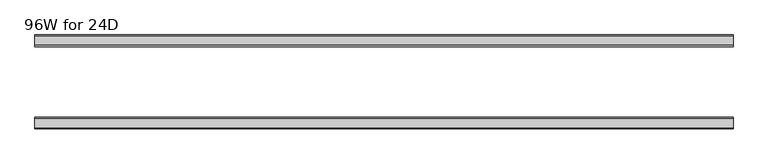
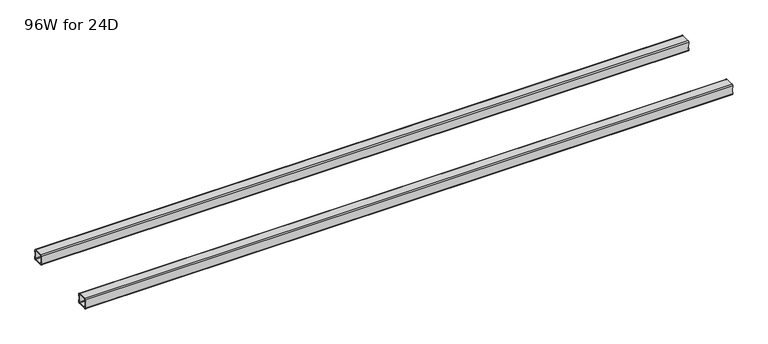
"""IFC4 building model written with IfcOpenShell, lengths in millimetres: furniture geometry, 96W for 24D."""

from ifc_helpers import new_model, si_unit, frame, origin, place, context, project, spatial, polyline, circle_curve, source, transform, mapped, element, save
from ifc_brep_helpers import plane_surface, cylinder_surface, revolved_surface, advanced_brep


def furniture_96w_for_24d_2d58d8bd(model_context):
    return source(origin(), model_context, "Body", "AdvancedBrep", [
        advanced_brep(
        [(2413.4028, -438.5082, 303.466), (2413.4028, -440.5082, 301.466), (2413.4028, -472.5082, 301.466), (2413.4028, -474.5082, 303.466), (2413.4028, -474.5082, 310.966), (2413.4028, -476.5082, 310.966), (2413.4028, -476.5082, 303.466), (2413.4028, -472.5082, 299.466), (2413.4028, -440.5082, 299.466), (2413.4028, -436.5082, 303.466), (2413.4028, -436.5082, 310.966), (2413.4028, -438.5082, 310.966), (2413.4028, -474.5082, 335.09), (2413.4028, -472.5082, 337.09), (2413.4028, -440.5082, 337.09), (2413.4028, -438.5082, 335.09), (2413.4028, -438.5082, 327.59), (2413.4028, -436.5082, 327.59), (2413.4028, -436.5082, 335.09), (2413.4028, -440.5082, 339.09), (2413.4028, -472.5082, 339.09), (2413.4028, -476.5082, 335.09), (2413.4028, -476.5082, 327.59), (2413.4028, -474.5082, 327.59), (22.0, -438.5082, 335.09), (22.0, -440.5082, 337.09), (22.0, -472.5082, 337.09), (22.0, -474.5082, 335.09), (22.0, -474.5082, 327.59), (22.0, -476.5082, 327.59), (22.0, -476.5082, 335.09), (22.0, -472.5082, 339.09), (22.0, -440.5082, 339.09), (22.0, -436.5082, 335.09), (22.0, -436.5082, 327.59), (22.0, -438.5082, 327.59), (22.0, -474.5082, 303.466), (22.0, -472.5082, 301.466), (22.0, -440.5082, 301.466), (22.0, -438.5082, 303.466), (22.0, -438.5082, 310.966), (22.0, -436.5082, 310.966), (22.0, -436.5082, 303.466), (22.0, -440.5082, 299.466), (22.0, -472.5082, 299.466), (22.0, -476.5082, 303.466), (22.0, -476.5082, 310.966), (22.0, -474.5082, 310.966), (23.365, -474.5082, 310.966), (24.0, -474.5082, 311.601), (24.0, -474.5082, 326.955), (23.365, -474.5082, 327.59), (2412.0378, -474.5082, 327.59), (2411.4028, -474.5082, 326.955), (2411.4028, -474.5082, 311.601), (2412.0378, -474.5082, 310.966), (2412.0378, -438.5082, 310.966), (2411.4028, -438.5082, 311.601), (2411.4028, -438.5082, 326.955), (2412.0378, -438.5082, 327.59), (23.365, -438.5082, 327.59), (24.0, -438.5082, 326.955), (24.0, -438.5082, 311.601), (23.365, -438.5082, 310.966), (23.365, -476.5082, 327.59), (24.0, -476.5082, 326.955), (24.0, -476.5082, 311.601), (23.365, -476.5082, 310.966), (2412.0378, -476.5082, 310.966), (2411.4028, -476.5082, 311.601), (2411.4028, -476.5082, 326.955), (2412.0378, -476.5082, 327.59), (2412.0378, -436.5082, 327.59), (2411.4028, -436.5082, 326.955), (2411.4028, -436.5082, 311.601), (2412.0378, -436.5082, 310.966), (23.365, -436.5082, 310.966), (24.0, -436.5082, 311.601), (24.0, -436.5082, 326.955), (23.365, -436.5082, 327.59)],
        [
            (0, 1, circle_curve(frame((2413.4028, -440.5082, 303.466), z_axis=(-1.0, 0.0, 0.0), x_axis=(0.0, 1.0, 0.0)), 2.0)),
            (1, 2),
            (2, 3, circle_curve(frame((2413.4028, -472.5082, 303.466), z_axis=(-1.0, 0.0, 0.0), x_axis=(0.0, 1.0, 0.0)), 2.0)),
            (3, 4),
            (4, 5),
            (5, 6),
            (6, 7, circle_curve(frame((2413.4028, -472.5082, 303.466), z_axis=(1.0, 0.0, 0.0), x_axis=(0.0, 1.0, 0.0)), 4.0)),
            (7, 8),
            (8, 9, circle_curve(frame((2413.4028, -440.5082, 303.466), z_axis=(1.0, 0.0, 0.0), x_axis=(0.0, 1.0, 0.0)), 4.0)),
            (9, 10),
            (10, 11),
            (11, 0),
            (12, 13, circle_curve(frame((2413.4028, -472.5082, 335.09), z_axis=(-1.0, 0.0, 0.0), x_axis=(0.0, 1.0, 0.0)), 2.0)),
            (13, 14),
            (14, 15, circle_curve(frame((2413.4028, -440.5082, 335.09), z_axis=(-1.0, 0.0, 0.0), x_axis=(0.0, 1.0, 0.0)), 2.0)),
            (15, 16),
            (16, 17),
            (17, 18),
            (18, 19, circle_curve(frame((2413.4028, -440.5082, 335.09), z_axis=(1.0, 0.0, 0.0), x_axis=(0.0, 1.0, 0.0)), 4.0)),
            (19, 20),
            (20, 21, circle_curve(frame((2413.4028, -472.5082, 335.09), z_axis=(1.0, 0.0, 0.0), x_axis=(0.0, 1.0, 0.0)), 4.0)),
            (21, 22),
            (22, 23),
            (23, 12),
            (24, 25, circle_curve(frame((22.0, -440.5082, 335.09), z_axis=(1.0, 0.0, 0.0), x_axis=(0.0, 1.0, 0.0)), 2.0)),
            (25, 26),
            (26, 27, circle_curve(frame((22.0, -472.5082, 335.09), z_axis=(1.0, 0.0, 0.0), x_axis=(0.0, 1.0, 0.0)), 2.0)),
            (27, 28),
            (28, 29),
            (29, 30),
            (30, 31, circle_curve(frame((22.0, -472.5082, 335.09), z_axis=(-1.0, 0.0, 0.0), x_axis=(0.0, 1.0, 0.0)), 4.0)),
            (31, 32),
            (32, 33, circle_curve(frame((22.0, -440.5082, 335.09), z_axis=(-1.0, 0.0, 0.0), x_axis=(0.0, 1.0, 0.0)), 4.0)),
            (33, 34),
            (34, 35),
            (35, 24),
            (36, 37, circle_curve(frame((22.0, -472.5082, 303.466), z_axis=(1.0, 0.0, 0.0), x_axis=(0.0, 1.0, 0.0)), 2.0)),
            (37, 38),
            (38, 39, circle_curve(frame((22.0, -440.5082, 303.466), z_axis=(1.0, 0.0, 0.0), x_axis=(0.0, 1.0, 0.0)), 2.0)),
            (39, 40),
            (40, 41),
            (41, 42),
            (42, 43, circle_curve(frame((22.0, -440.5082, 303.466), z_axis=(-1.0, 0.0, 0.0), x_axis=(0.0, 1.0, 0.0)), 4.0)),
            (43, 44),
            (44, 45, circle_curve(frame((22.0, -472.5082, 303.466), z_axis=(-1.0, 0.0, 0.0), x_axis=(0.0, 1.0, 0.0)), 4.0)),
            (45, 46),
            (46, 47),
            (47, 36),
            (0, 39),
            (38, 1),
            (37, 2),
            (36, 3),
            (47, 48),
            (48, 49, circle_curve(frame((23.365, -474.5082, 311.601), z_axis=(0.0, -1.0, 0.0), x_axis=(1.0, 0.0, 0.0)), 0.635)),
            (49, 50),
            (50, 51, circle_curve(frame((23.365, -474.5082, 326.955), z_axis=(0.0, -1.0, 0.0), x_axis=(1.0, 0.0, 0.0)), 0.635)),
            (51, 28),
            (27, 12),
            (23, 52),
            (52, 53, circle_curve(frame((2412.0378, -474.5082, 326.955), z_axis=(0.0, -1.0, 0.0), x_axis=(1.0, 0.0, 0.0)), 0.635)),
            (53, 54),
            (54, 55, circle_curve(frame((2412.0378, -474.5082, 311.601), z_axis=(0.0, -1.0, 0.0), x_axis=(1.0, 0.0, 0.0)), 0.635)),
            (55, 4),
            (26, 13),
            (25, 14),
            (24, 15),
            (11, 56),
            (56, 57, circle_curve(frame((2412.0378, -438.5082, 311.601), z_axis=(0.0, 1.0, 0.0), x_axis=(1.0, 0.0, 0.0)), 0.635)),
            (57, 58),
            (58, 59, circle_curve(frame((2412.0378, -438.5082, 326.955), z_axis=(0.0, 1.0, 0.0), x_axis=(1.0, 0.0, 0.0)), 0.635)),
            (59, 16),
            (35, 60),
            (60, 61, circle_curve(frame((23.365, -438.5082, 326.955), z_axis=(0.0, 1.0, 0.0), x_axis=(1.0, 0.0, 0.0)), 0.635)),
            (61, 62),
            (62, 63, circle_curve(frame((23.365, -438.5082, 311.601), z_axis=(0.0, 1.0, 0.0), x_axis=(1.0, 0.0, 0.0)), 0.635)),
            (63, 40),
            (18, 33),
            (32, 19),
            (31, 20),
            (30, 21),
            (29, 64),
            (64, 65, circle_curve(frame((23.365, -476.5082, 326.955), z_axis=(0.0, 1.0, 0.0), x_axis=(1.0, 0.0, 0.0)), 0.635)),
            (65, 66),
            (66, 67, circle_curve(frame((23.365, -476.5082, 311.601), z_axis=(0.0, 1.0, 0.0), x_axis=(1.0, 0.0, 0.0)), 0.635)),
            (67, 46),
            (45, 6),
            (5, 68),
            (68, 69, circle_curve(frame((2412.0378, -476.5082, 311.601), z_axis=(0.0, 1.0, 0.0), x_axis=(1.0, 0.0, 0.0)), 0.635)),
            (69, 70),
            (70, 71, circle_curve(frame((2412.0378, -476.5082, 326.955), z_axis=(0.0, 1.0, 0.0), x_axis=(1.0, 0.0, 0.0)), 0.635)),
            (71, 22),
            (44, 7),
            (43, 8),
            (42, 9),
            (17, 72),
            (72, 73, circle_curve(frame((2412.0378, -436.5082, 326.955), z_axis=(0.0, -1.0, 0.0), x_axis=(1.0, 0.0, 0.0)), 0.635)),
            (73, 74),
            (74, 75, circle_curve(frame((2412.0378, -436.5082, 311.601), z_axis=(0.0, -1.0, 0.0), x_axis=(1.0, 0.0, 0.0)), 0.635)),
            (75, 10),
            (41, 76),
            (76, 77, circle_curve(frame((23.365, -436.5082, 311.601), z_axis=(0.0, -1.0, 0.0), x_axis=(1.0, 0.0, 0.0)), 0.635)),
            (77, 78),
            (78, 79, circle_curve(frame((23.365, -436.5082, 326.955), z_axis=(0.0, -1.0, 0.0), x_axis=(1.0, 0.0, 0.0)), 0.635)),
            (79, 34),
            (71, 52),
            (59, 72),
            (70, 53),
            (58, 73),
            (69, 54),
            (57, 74),
            (68, 55),
            (56, 75),
            (51, 64),
            (79, 60),
            (67, 48),
            (63, 76),
            (66, 49),
            (62, 77),
            (65, 50),
            (61, 78),
        ],
        [
            plane_surface(frame((2413.4028, -438.5082, 303.466), z_axis=(1.0, 0.0, 0.0), x_axis=(0.0, 0.0, -1.0))),
            plane_surface(frame((22.0, -438.5082, 303.466), z_axis=(-1.0, 0.0, 0.0), x_axis=(0.0, 0.0, 1.0))),
            revolved_surface(polyline([(22.0, -438.5082, 303.466), (2413.4028, -438.5082, 303.466)]), (22.0, -440.5082, 303.466), (-1.0, 0.0, 0.0)),
            plane_surface(frame((2413.4028, -440.5082, 301.466), z_axis=(0.0, -5.197550723169646e-12, 1.0), x_axis=(-1.0, 0.0, 0.0))),
            revolved_surface(polyline([(22.0, -470.5082, 303.466), (2413.4028, -470.5082, 303.466)]), (22.0, -472.5082, 303.466), (-1.0, 0.0, 0.0)),
            plane_surface(frame((2413.4028, -474.5082, 303.466), z_axis=(0.0, 1.0, 0.0), x_axis=(-1.0, 0.0, 0.0))),
            revolved_surface(polyline([(22.0, -470.5082, 335.09), (2413.4028, -470.5082, 335.09)]), (22.0, -472.5082, 335.09), (-1.0, 0.0, 0.0)),
            plane_surface(frame((2413.4028, -472.5082, 337.09), z_axis=(0.0, 0.0, -1.0), x_axis=(-1.0, 0.0, 0.0))),
            revolved_surface(polyline([(22.0, -438.5082, 335.09), (2413.4028, -438.5082, 335.09)]), (22.0, -440.5082, 335.09), (-1.0, 0.0, 0.0)),
            plane_surface(frame((2413.4028, -438.5082, 335.09), z_axis=(0.0, -1.0, 0.0), x_axis=(-1.0, 0.0, 0.0))),
            cylinder_surface(frame((0.0, -440.5082, 335.09), z_axis=(1.0, 0.0, 0.0), x_axis=(0.0, 1.0, 0.0)), 4.0),
            plane_surface(frame((2413.4028, -440.5082, 339.09), z_axis=(0.0, 0.0, 1.0), x_axis=(-1.0, 0.0, 0.0))),
            cylinder_surface(frame((0.0, -472.5082, 335.09), z_axis=(1.0, 0.0, 0.0), x_axis=(0.0, 1.0, 0.0)), 4.0),
            plane_surface(frame((2413.4028, -476.5082, 335.09), z_axis=(0.0, -1.0, 0.0), x_axis=(-1.0, 0.0, 0.0))),
            cylinder_surface(frame((0.0, -472.5082, 303.466), z_axis=(1.0, 0.0, 0.0), x_axis=(0.0, 1.0, 0.0)), 4.0),
            plane_surface(frame((2413.4028, -472.5082, 299.466), z_axis=(0.0, 0.0, -1.0), x_axis=(-1.0, 0.0, 0.0))),
            cylinder_surface(frame((0.0, -440.5082, 303.466), z_axis=(1.0, 0.0, 0.0), x_axis=(0.0, 1.0, 0.0)), 4.0),
            plane_surface(frame((2413.4028, -436.5082, 303.466), z_axis=(0.0, 1.0, -5.249717517114768e-12), x_axis=(-1.0, 0.0, 0.0))),
            plane_surface(frame((2413.4028, -476.5082, 327.59), z_axis=(1.120549318800262e-11, 0.0, -1.0), x_axis=(0.0, 1.0, 0.0))),
            revolved_surface(polyline([(2412.6728000000003, -476.5082, 326.955), (2412.6728000000003, -474.5082, 326.955)]), (2412.0378, -436.5082, 326.955), (0.0, -1.0, 0.0)),
            revolved_surface(polyline([(2412.6728000000003, -438.5082, 326.955), (2412.6728000000003, -436.5082, 326.955)]), (2412.0378, -436.5082, 326.955), (0.0, -1.0, 0.0)),
            plane_surface(frame((2411.4028, -476.5082, 326.955), z_axis=(1.0, 0.0, 0.0), x_axis=(0.0, 1.0, 0.0))),
            revolved_surface(polyline([(2412.6728000000003, -476.5082, 311.601), (2412.6728000000003, -474.5082, 311.601)]), (2412.0378, -436.5082, 311.601), (0.0, -1.0, 0.0)),
            revolved_surface(polyline([(2412.6728000000003, -438.5082, 311.601), (2412.6728000000003, -436.5082, 311.601)]), (2412.0378, -436.5082, 311.601), (0.0, -1.0, 0.0)),
            plane_surface(frame((2412.0378, -476.5082, 310.966), z_axis=(0.0, 0.0, 1.0), x_axis=(0.0, 1.0, 0.0))),
            plane_surface(frame((23.365, -476.5082, 327.59), z_axis=(0.0, 0.0, -1.0), x_axis=(0.0, 1.0, 0.0))),
            plane_surface(frame((22.0, -476.5082, 310.966), z_axis=(-1.1453402329138768e-11, 0.0, 1.0), x_axis=(0.0, 1.0, 0.0))),
            revolved_surface(polyline([(24.0, -476.5082, 311.601), (24.0, -474.5082, 311.601)]), (23.365, -436.5082, 311.601), (0.0, -1.0, 0.0)),
            revolved_surface(polyline([(24.0, -438.5082, 311.601), (24.0, -436.5082, 311.601)]), (23.365, -436.5082, 311.601), (0.0, -1.0, 0.0)),
            plane_surface(frame((24.0, -476.5082, 311.601), z_axis=(-1.0, 0.0, 0.0), x_axis=(0.0, 1.0, 0.0))),
            revolved_surface(polyline([(24.0, -476.5082, 326.955), (24.0, -474.5082, 326.955)]), (23.365, -436.5082, 326.955), (0.0, -1.0, 0.0)),
            revolved_surface(polyline([(24.0, -438.5082, 326.955), (24.0, -436.5082, 326.955)]), (23.365, -436.5082, 326.955), (0.0, -1.0, 0.0)),
        ],
        [
            (0, [[1, 2, 3, 4, 5, 6, 7, 8, 9, 10, 11, 12]]),
            (0, [[13, 14, 15, 16, 17, 18, 19, 20, 21, 22, 23, 24]]),
            (1, [[25, 26, 27, 28, 29, 30, 31, 32, 33, 34, 35, 36]]),
            (1, [[37, 38, 39, 40, 41, 42, 43, 44, 45, 46, 47, 48]]),
            (2, [[-1, 49, -39, 50]]),
            (3, [[-2, -50, -38, 51]]),
            (4, [[-3, -51, -37, 52]]),
            (5, [[-52, -48, 53, 54, 55, 56, 57, -28, 58, -24, 59, 60, 61, 62, 63, -4]]),
            (6, [[-13, -58, -27, 64]]),
            (7, [[-14, -64, -26, 65]]),
            (8, [[-15, -65, -25, 66]]),
            (9, [[-49, -12, 67, 68, 69, 70, 71, -16, -66, -36, 72, 73, 74, 75, 76, -40]]),
            (10, [[-19, 77, -33, 78]]),
            (11, [[-20, -78, -32, 79]]),
            (12, [[-21, -79, -31, 80]]),
            (13, [[-80, -30, 81, 82, 83, 84, 85, -46, 86, -6, 87, 88, 89, 90, 91, -22]]),
            (14, [[-7, -86, -45, 92]]),
            (15, [[-8, -92, -44, 93]]),
            (16, [[-9, -93, -43, 94]]),
            (17, [[-77, -18, 95, 96, 97, 98, 99, -10, -94, -42, 100, 101, 102, 103, 104, -34]]),
            (18, [[105, -59, -23, -91]]),
            (18, [[106, -95, -17, -71]]),
            (19, [[-105, -90, 107, -60]]),
            (20, [[-106, -70, 108, -96]]),
            (21, [[-107, -89, 109, -61]]),
            (21, [[-108, -69, 110, -97]]),
            (22, [[-109, -88, 111, -62]]),
            (23, [[-110, -68, 112, -98]]),
            (24, [[-111, -87, -5, -63]]),
            (24, [[-112, -67, -11, -99]]),
            (25, [[113, -81, -29, -57]]),
            (25, [[114, -72, -35, -104]]),
            (26, [[115, -53, -47, -85]]),
            (26, [[116, -100, -41, -76]]),
            (27, [[-115, -84, 117, -54]]),
            (28, [[-116, -75, 118, -101]]),
            (29, [[-117, -83, 119, -55]]),
            (29, [[-118, -74, 120, -102]]),
            (30, [[-113, -56, -119, -82]]),
            (31, [[-114, -103, -120, -73]]),
        ],
    ),
        advanced_brep(
        [(2413.4028, -192.9996202, 335.09), (2413.4028, -190.9996202, 337.09), (2413.4028, -159.0003798, 337.09), (2413.4028, -157.0003798, 335.09), (2413.4028, -157.0003798, 327.59), (2413.4028, -155.0003798, 327.59), (2413.4028, -155.0003798, 335.09), (2413.4028, -159.0003798, 339.09), (2413.4028, -190.9996202, 339.09), (2413.4028, -194.9996202, 335.09), (2413.4028, -194.9996202, 327.59), (2413.4028, -192.9996202, 327.59), (2413.4028, -157.0003798, 303.466), (2413.4028, -159.0003798, 301.466), (2413.4028, -190.9996202, 301.466), (2413.4028, -192.9996202, 303.466), (2413.4028, -192.9996202, 310.966), (2413.4028, -194.9996202, 310.966), (2413.4028, -194.9996202, 303.466), (2413.4028, -190.9996202, 299.466), (2413.4028, -159.0003798, 299.466), (2413.4028, -155.0003798, 303.466), (2413.4028, -155.0003798, 310.966), (2413.4028, -157.0003798, 310.966), (22.0, -192.9996202, 303.466), (22.0, -190.9996202, 301.466), (22.0, -159.0003798, 301.466), (22.0, -157.0003798, 303.466), (22.0, -157.0003798, 310.966), (22.0, -155.0003798, 310.966), (22.0, -155.0003798, 303.466), (22.0, -159.0003798, 299.466), (22.0, -190.9996202, 299.466), (22.0, -194.9996202, 303.466), (22.0, -194.9996202, 310.966), (22.0, -192.9996202, 310.966), (22.0, -157.0003798, 335.09), (22.0, -159.0003798, 337.09), (22.0, -190.9996202, 337.09), (22.0, -192.9996202, 335.09), (22.0, -192.9996202, 327.59), (22.0, -194.9996202, 327.59), (22.0, -194.9996202, 335.09), (22.0, -190.9996202, 339.09), (22.0, -159.0003798, 339.09), (22.0, -155.0003798, 335.09), (22.0, -155.0003798, 327.59), (22.0, -157.0003798, 327.59), (2412.0378, -157.0003798, 310.966), (2411.4028, -157.0003798, 311.601), (2411.4028, -157.0003798, 326.955), (2412.0378, -157.0003798, 327.59), (23.365, -157.0003798, 327.59), (24.0, -157.0003798, 326.955), (24.0, -157.0003798, 311.601), (23.365, -157.0003798, 310.966), (23.365, -192.9996202, 310.966), (24.0, -192.9996202, 311.601), (24.0, -192.9996202, 326.955), (23.365, -192.9996202, 327.59), (2412.0378, -192.9996202, 327.59), (2411.4028, -192.9996202, 326.955), (2411.4028, -192.9996202, 311.601), (2412.0378, -192.9996202, 310.966), (2412.0378, -155.0003798, 327.59), (2411.4028, -155.0003798, 326.955), (2411.4028, -155.0003798, 311.601), (2412.0378, -155.0003798, 310.966), (23.365, -155.0003798, 310.966), (24.0, -155.0003798, 311.601), (24.0, -155.0003798, 326.955), (23.365, -155.0003798, 327.59), (23.365, -194.9996202, 327.59), (24.0, -194.9996202, 326.955), (24.0, -194.9996202, 311.601), (23.365, -194.9996202, 310.966), (2412.0378, -194.9996202, 310.966), (2411.4028, -194.9996202, 311.601), (2411.4028, -194.9996202, 326.955), (2412.0378, -194.9996202, 327.59)],
        [
            (0, 1, circle_curve(frame((2413.4028, -190.9996202, 335.09), z_axis=(-1.0, 0.0, 0.0), x_axis=(0.0, -1.0, 0.0)), 2.0)),
            (1, 2),
            (2, 3, circle_curve(frame((2413.4028, -159.0003798, 335.09), z_axis=(-1.0, 0.0, 0.0), x_axis=(0.0, -1.0, 0.0)), 2.0)),
            (3, 4),
            (4, 5),
            (5, 6),
            (6, 7, circle_curve(frame((2413.4028, -159.0003798, 335.09), z_axis=(1.0, 0.0, 0.0), x_axis=(0.0, -1.0, 0.0)), 4.0)),
            (7, 8),
            (8, 9, circle_curve(frame((2413.4028, -190.9996202, 335.09), z_axis=(1.0, 0.0, 0.0), x_axis=(0.0, -1.0, 0.0)), 4.0)),
            (9, 10),
            (10, 11),
            (11, 0),
            (12, 13, circle_curve(frame((2413.4028, -159.0003798, 303.466), z_axis=(-1.0, 0.0, 0.0), x_axis=(0.0, -1.0, 0.0)), 2.0)),
            (13, 14),
            (14, 15, circle_curve(frame((2413.4028, -190.9996202, 303.466), z_axis=(-1.0, 0.0, 0.0), x_axis=(0.0, -1.0, 0.0)), 2.0)),
            (15, 16),
            (16, 17),
            (17, 18),
            (18, 19, circle_curve(frame((2413.4028, -190.9996202, 303.466), z_axis=(1.0, 0.0, 0.0), x_axis=(0.0, -1.0, 0.0)), 4.0)),
            (19, 20),
            (20, 21, circle_curve(frame((2413.4028, -159.0003798, 303.466), z_axis=(1.0, 0.0, 0.0), x_axis=(0.0, -1.0, 0.0)), 4.0)),
            (21, 22),
            (22, 23),
            (23, 12),
            (24, 25, circle_curve(frame((22.0, -190.9996202, 303.466), z_axis=(1.0, 0.0, 0.0), x_axis=(0.0, -1.0, 0.0)), 2.0)),
            (25, 26),
            (26, 27, circle_curve(frame((22.0, -159.0003798, 303.466), z_axis=(1.0, 0.0, 0.0), x_axis=(0.0, -1.0, 0.0)), 2.0)),
            (27, 28),
            (28, 29),
            (29, 30),
            (30, 31, circle_curve(frame((22.0, -159.0003798, 303.466), z_axis=(-1.0, 0.0, 0.0), x_axis=(0.0, -1.0, 0.0)), 4.0)),
            (31, 32),
            (32, 33, circle_curve(frame((22.0, -190.9996202, 303.466), z_axis=(-1.0, 0.0, 0.0), x_axis=(0.0, -1.0, 0.0)), 4.0)),
            (33, 34),
            (34, 35),
            (35, 24),
            (36, 37, circle_curve(frame((22.0, -159.0003798, 335.09), z_axis=(1.0, 0.0, 0.0), x_axis=(0.0, -1.0, 0.0)), 2.0)),
            (37, 38),
            (38, 39, circle_curve(frame((22.0, -190.9996202, 335.09), z_axis=(1.0, 0.0, 0.0), x_axis=(0.0, -1.0, 0.0)), 2.0)),
            (39, 40),
            (40, 41),
            (41, 42),
            (42, 43, circle_curve(frame((22.0, -190.9996202, 335.09), z_axis=(-1.0, 0.0, 0.0), x_axis=(0.0, -1.0, 0.0)), 4.0)),
            (43, 44),
            (44, 45, circle_curve(frame((22.0, -159.0003798, 335.09), z_axis=(-1.0, 0.0, 0.0), x_axis=(0.0, -1.0, 0.0)), 4.0)),
            (45, 46),
            (46, 47),
            (47, 36),
            (14, 25),
            (24, 15),
            (13, 26),
            (12, 27),
            (23, 48),
            (48, 49, circle_curve(frame((2412.0378, -157.0003798, 311.601), z_axis=(0.0, 1.0, 0.0), x_axis=(1.0, 0.0, 0.0)), 0.635)),
            (49, 50),
            (50, 51, circle_curve(frame((2412.0378, -157.0003798, 326.955), z_axis=(0.0, 1.0, 0.0), x_axis=(1.0, 0.0, 0.0)), 0.635)),
            (51, 4),
            (3, 36),
            (47, 52),
            (52, 53, circle_curve(frame((23.365, -157.0003798, 326.955), z_axis=(0.0, 1.0, 0.0), x_axis=(1.0, 0.0, 0.0)), 0.635)),
            (53, 54),
            (54, 55, circle_curve(frame((23.365, -157.0003798, 311.601), z_axis=(0.0, 1.0, 0.0), x_axis=(1.0, 0.0, 0.0)), 0.635)),
            (55, 28),
            (2, 37),
            (1, 38),
            (0, 39),
            (35, 56),
            (56, 57, circle_curve(frame((23.365, -192.9996202, 311.601), z_axis=(0.0, -1.0, 0.0), x_axis=(1.0, 0.0, 0.0)), 0.635)),
            (57, 58),
            (58, 59, circle_curve(frame((23.365, -192.9996202, 326.955), z_axis=(0.0, -1.0, 0.0), x_axis=(1.0, 0.0, 0.0)), 0.635)),
            (59, 40),
            (11, 60),
            (60, 61, circle_curve(frame((2412.0378, -192.9996202, 326.955), z_axis=(0.0, -1.0, 0.0), x_axis=(1.0, 0.0, 0.0)), 0.635)),
            (61, 62),
            (62, 63, circle_curve(frame((2412.0378, -192.9996202, 311.601), z_axis=(0.0, -1.0, 0.0), x_axis=(1.0, 0.0, 0.0)), 0.635)),
            (63, 16),
            (8, 43),
            (42, 9),
            (7, 44),
            (6, 45),
            (5, 64),
            (64, 65, circle_curve(frame((2412.0378, -155.0003798, 326.955), z_axis=(0.0, -1.0, 0.0), x_axis=(1.0, 0.0, 0.0)), 0.635)),
            (65, 66),
            (66, 67, circle_curve(frame((2412.0378, -155.0003798, 311.601), z_axis=(0.0, -1.0, 0.0), x_axis=(1.0, 0.0, 0.0)), 0.635)),
            (67, 22),
            (21, 30),
            (29, 68),
            (68, 69, circle_curve(frame((23.365, -155.0003798, 311.601), z_axis=(0.0, -1.0, 0.0), x_axis=(1.0, 0.0, 0.0)), 0.635)),
            (69, 70),
            (70, 71, circle_curve(frame((23.365, -155.0003798, 326.955), z_axis=(0.0, -1.0, 0.0), x_axis=(1.0, 0.0, 0.0)), 0.635)),
            (71, 46),
            (20, 31),
            (19, 32),
            (18, 33),
            (41, 72),
            (72, 73, circle_curve(frame((23.365, -194.9996202, 326.955), z_axis=(0.0, 1.0, 0.0), x_axis=(1.0, 0.0, 0.0)), 0.635)),
            (73, 74),
            (74, 75, circle_curve(frame((23.365, -194.9996202, 311.601), z_axis=(0.0, 1.0, 0.0), x_axis=(1.0, 0.0, 0.0)), 0.635)),
            (75, 34),
            (17, 76),
            (76, 77, circle_curve(frame((2412.0378, -194.9996202, 311.601), z_axis=(0.0, 1.0, 0.0), x_axis=(1.0, 0.0, 0.0)), 0.635)),
            (77, 78),
            (78, 79, circle_curve(frame((2412.0378, -194.9996202, 326.955), z_axis=(0.0, 1.0, 0.0), x_axis=(1.0, 0.0, 0.0)), 0.635)),
            (79, 10),
            (51, 64),
            (79, 60),
            (50, 65),
            (78, 61),
            (49, 66),
            (77, 62),
            (48, 67),
            (76, 63),
            (71, 52),
            (59, 72),
            (55, 68),
            (75, 56),
            (54, 69),
            (74, 57),
            (53, 70),
            (73, 58),
        ],
        [
            plane_surface(frame((2413.4028, -192.9996202, 335.09), z_axis=(1.0, 0.0, 0.0), x_axis=(0.0, 0.0, 1.0))),
            plane_surface(frame((22.0, -192.9996202, 335.09), z_axis=(-1.0, 0.0, 0.0), x_axis=(0.0, 0.0, -1.0))),
            revolved_surface(polyline([(22.0, -192.9996202, 303.466), (2413.4028, -192.9996202, 303.466)]), (22.0, -190.9996202, 303.466), (-1.0, 0.0, 0.0)),
            plane_surface(frame((2413.4028, -159.0003798, 301.466), z_axis=(0.0, -1.0141545228491802e-12, 1.0), x_axis=(-1.0, 0.0, 0.0))),
            revolved_surface(polyline([(22.0, -161.0003798, 303.466), (2413.4028, -161.0003798, 303.466)]), (22.0, -159.0003798, 303.466), (-1.0, 0.0, 0.0)),
            plane_surface(frame((2413.4028, -157.0003798, 335.09), z_axis=(0.0, -1.0, 0.0), x_axis=(-1.0, 0.0, 0.0))),
            revolved_surface(polyline([(22.0, -161.0003798, 335.09), (2413.4028, -161.0003798, 335.09)]), (22.0, -159.0003798, 335.09), (-1.0, 0.0, 0.0)),
            plane_surface(frame((2413.4028, -190.9996202, 337.09), z_axis=(0.0, 0.0, -1.0), x_axis=(-1.0, 0.0, 0.0))),
            revolved_surface(polyline([(22.0, -192.9996202, 335.09), (2413.4028, -192.9996202, 335.09)]), (22.0, -190.9996202, 335.09), (-1.0, 0.0, 0.0)),
            plane_surface(frame((2413.4028, -192.9996202, 303.466), z_axis=(0.0, 1.0, 0.0), x_axis=(-1.0, 0.0, 0.0))),
            cylinder_surface(frame((0.0, -190.9996202, 335.09), z_axis=(1.0, 0.0, 0.0), x_axis=(0.0, -1.0, 0.0)), 4.0),
            plane_surface(frame((2413.4028, -159.0003798, 339.09), z_axis=(0.0, 0.0, 1.0), x_axis=(-1.0, 0.0, 0.0))),
            cylinder_surface(frame((0.0, -159.0003798, 335.09), z_axis=(1.0, 0.0, 0.0), x_axis=(0.0, -1.0, 0.0)), 4.0),
            plane_surface(frame((2413.4028, -155.0003798, 303.466), z_axis=(0.0, 1.0, 0.0), x_axis=(-1.0, 0.0, 0.0))),
            cylinder_surface(frame((0.0, -159.0003798, 303.466), z_axis=(1.0, 0.0, 0.0), x_axis=(0.0, -1.0, 0.0)), 4.0),
            plane_surface(frame((2413.4028, -190.9996202, 299.466), z_axis=(0.0, 0.0, -1.0), x_axis=(-1.0, 0.0, 0.0))),
            cylinder_surface(frame((0.0, -190.9996202, 303.466), z_axis=(1.0, 0.0, 0.0), x_axis=(0.0, -1.0, 0.0)), 4.0),
            plane_surface(frame((2413.4028, -194.9996202, 335.09), z_axis=(0.0, -1.0, 1.0326085209912834e-12), x_axis=(-1.0, 0.0, 0.0))),
            plane_surface(frame((2412.0378, -155.0003798, 327.59), z_axis=(-8.800774516256723e-11, 0.0, -1.0), x_axis=(0.0, -1.0, 0.0))),
            revolved_surface(polyline([(2412.6728000000003, -155.0003798, 326.955), (2412.6728000000003, -157.0003798, 326.955)]), (2412.0378, -194.9996202, 326.955), (0.0, 1.0, 0.0)),
            revolved_surface(polyline([(2412.6728000000003, -192.9996202, 326.955), (2412.6728000000003, -194.9996202, 326.955)]), (2412.0378, -194.9996202, 326.955), (0.0, 1.0, 0.0)),
            plane_surface(frame((2411.4028, -155.0003798, 311.601), z_axis=(1.0, 0.0, 7.581621492717016e-12), x_axis=(0.0, -1.0, 0.0))),
            revolved_surface(polyline([(2412.6728000000003, -155.0003798, 311.601), (2412.6728000000003, -157.0003798, 311.601)]), (2412.0378, -194.9996202, 311.601), (0.0, 1.0, 0.0)),
            revolved_surface(polyline([(2412.6728000000003, -192.9996202, 311.601), (2412.6728000000003, -194.9996202, 311.601)]), (2412.0378, -194.9996202, 311.601), (0.0, 1.0, 0.0)),
            plane_surface(frame((2413.4028, -155.0003798, 310.966), z_axis=(0.0, 0.0, 1.0), x_axis=(0.0, -1.0, 0.0))),
            plane_surface(frame((22.0, -155.0003798, 327.59), z_axis=(0.0, 0.0, -1.0), x_axis=(0.0, -1.0, 0.0))),
            plane_surface(frame((23.365, -155.0003798, 310.966), z_axis=(-5.2209665167107105e-11, 0.0, 1.0), x_axis=(0.0, -1.0, 0.0))),
            revolved_surface(polyline([(24.0, -155.0003798, 311.601), (24.0, -157.0003798, 311.601)]), (23.365, -194.9996202, 311.601), (0.0, 1.0, 0.0)),
            revolved_surface(polyline([(24.0, -192.9996202, 311.601), (24.0, -194.9996202, 311.601)]), (23.365, -194.9996202, 311.601), (0.0, 1.0, 0.0)),
            plane_surface(frame((24.0, -155.0003798, 326.955), z_axis=(-1.0, 0.0, 3.5274375578795246e-12), x_axis=(0.0, -1.0, 0.0))),
            revolved_surface(polyline([(24.0, -155.0003798, 326.955), (24.0, -157.0003798, 326.955)]), (23.365, -194.9996202, 326.955), (0.0, 1.0, 0.0)),
            revolved_surface(polyline([(24.0, -192.9996202, 326.955), (24.0, -194.9996202, 326.955)]), (23.365, -194.9996202, 326.955), (0.0, 1.0, 0.0)),
        ],
        [
            (0, [[1, 2, 3, 4, 5, 6, 7, 8, 9, 10, 11, 12]]),
            (0, [[13, 14, 15, 16, 17, 18, 19, 20, 21, 22, 23, 24]]),
            (1, [[25, 26, 27, 28, 29, 30, 31, 32, 33, 34, 35, 36]]),
            (1, [[37, 38, 39, 40, 41, 42, 43, 44, 45, 46, 47, 48]]),
            (2, [[-15, 49, -25, 50]]),
            (3, [[-14, 51, -26, -49]]),
            (4, [[-13, 52, -27, -51]]),
            (5, [[-52, -24, 53, 54, 55, 56, 57, -4, 58, -48, 59, 60, 61, 62, 63, -28]]),
            (6, [[-3, 64, -37, -58]]),
            (7, [[-2, 65, -38, -64]]),
            (8, [[-1, 66, -39, -65]]),
            (9, [[-50, -36, 67, 68, 69, 70, 71, -40, -66, -12, 72, 73, 74, 75, 76, -16]]),
            (10, [[-9, 77, -43, 78]]),
            (11, [[-8, 79, -44, -77]]),
            (12, [[-7, 80, -45, -79]]),
            (13, [[-80, -6, 81, 82, 83, 84, 85, -22, 86, -30, 87, 88, 89, 90, 91, -46]]),
            (14, [[-21, 92, -31, -86]]),
            (15, [[-20, 93, -32, -92]]),
            (16, [[-19, 94, -33, -93]]),
            (17, [[-78, -42, 95, 96, 97, 98, 99, -34, -94, -18, 100, 101, 102, 103, 104, -10]]),
            (18, [[105, -81, -5, -57]]),
            (18, [[106, -72, -11, -104]]),
            (19, [[-105, -56, 107, -82]]),
            (20, [[-106, -103, 108, -73]]),
            (21, [[-107, -55, 109, -83]]),
            (21, [[-108, -102, 110, -74]]),
            (22, [[-109, -54, 111, -84]]),
            (23, [[-110, -101, 112, -75]]),
            (24, [[-111, -53, -23, -85]]),
            (24, [[-112, -100, -17, -76]]),
            (25, [[113, -59, -47, -91]]),
            (25, [[114, -95, -41, -71]]),
            (26, [[115, -87, -29, -63]]),
            (26, [[116, -67, -35, -99]]),
            (27, [[-115, -62, 117, -88]]),
            (28, [[-116, -98, 118, -68]]),
            (29, [[-117, -61, 119, -89]]),
            (29, [[-118, -97, 120, -69]]),
            (30, [[-119, -60, -113, -90]]),
            (31, [[-120, -96, -114, -70]]),
        ],
    ),
    ])


if __name__ == "__main__":
    model = new_model("IFC4")
    model_context = context("Model", 3, world=origin())
    ifc_project = project(units=[si_unit("LENGTHUNIT", "METRE", prefix="MILLI")], contexts=[model_context])
    site = spatial("IfcSite", under=ifc_project)
    building = spatial("IfcBuilding", under=site)
    placement = place(None, origin())
    furniture_96w_for_24d_shape = furniture_96w_for_24d_2d58d8bd(model_context)
    element("IfcFurniture", 1, ObjectType="96W for 24D", at=placement, inside=building, context=model_context, shape_type="MappedRepresentation", body=[
        mapped(furniture_96w_for_24d_shape, transform((0.0, 0.0, 0.0), x_axis=(1.0, 0.0, 0.0), y_axis=(0.0, 1.0, 0.0), z_axis=(0.0, 0.0, 1.0))),
    ])
    save(model, "model.ifc")
